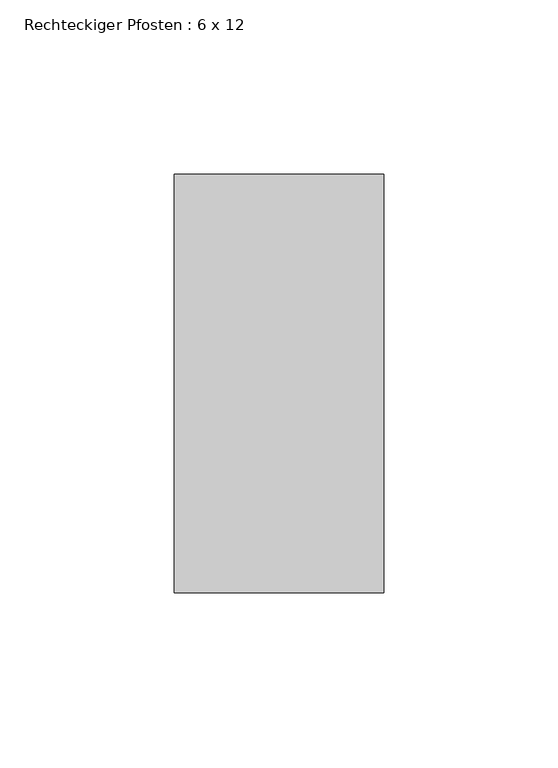
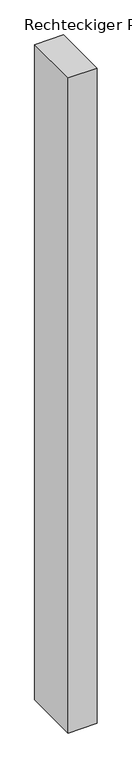
"""IFC4 building model written with IfcOpenShell, lengths in millimetres: member geometry, Rechteckiger Pfosten : 6 x 12."""

from ifc_helpers import new_model, si_unit, frame, origin, place, context, project, spatial, polyline, outline, extrude, source, transform, mapped, element, save


def rechteckiger_pfosten_6_x_12_24c9d9ff(model_context):
    return source(origin(), model_context, "Body", "SweptSolid", [
        extrude(outline(polyline([(30.0, 60.0), (30.0, -60.0), (-30.0, -60.0), (-30.0, 60.0), (30.0, 60.0)])), frame((0.0, 0.0, -1435.0294528), z_axis=(0.0, 0.0, 1.0), x_axis=(1.0, 0.0, 0.0)), (0.0, 0.0, 1.0), 1435.0294528),
    ])


if __name__ == "__main__":
    model = new_model("IFC4")
    model_context = context("Model", 3, world=origin())
    ifc_project = project(units=[si_unit("LENGTHUNIT", "METRE", prefix="MILLI")], contexts=[model_context])
    site = spatial("IfcSite", under=ifc_project)
    building = spatial("IfcBuilding", under=site)
    placement = place(None, origin())
    rechteckiger_pfosten_6_x_12_shape = rechteckiger_pfosten_6_x_12_24c9d9ff(model_context)
    element("IfcMember", 1, ObjectType="Rechteckiger Pfosten : 6 x 12", at=placement, inside=building, context=model_context, shape_type="MappedRepresentation", body=[
        mapped(rechteckiger_pfosten_6_x_12_shape, transform((0.0, 0.0, 0.0), x_axis=(1.0, 0.0, 0.0), y_axis=(0.0, 1.0, 0.0), z_axis=(0.0, 0.0, 1.0))),
    ])
    save(model, "model.ifc")
